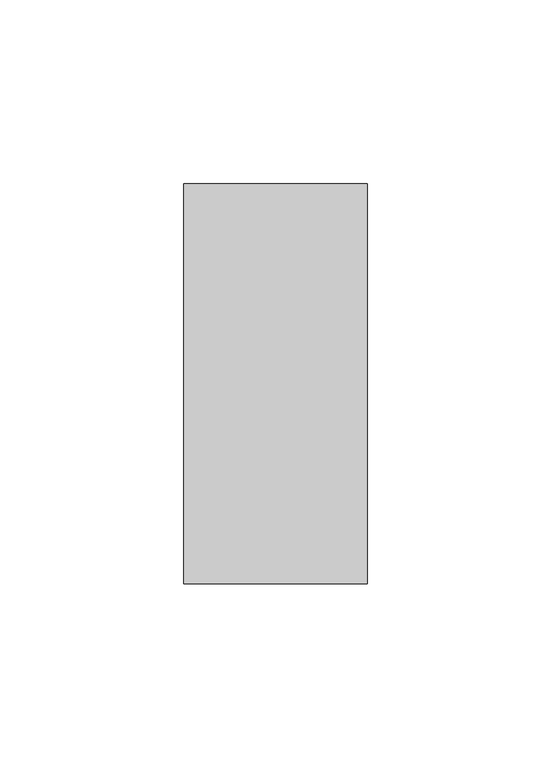
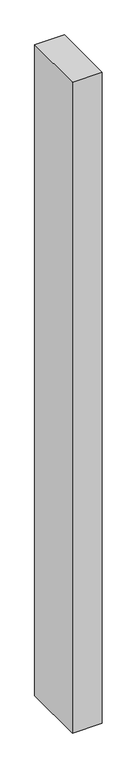
"""IFC4 building model written with IfcOpenShell, lengths in millimetres: member geometry."""

from ifc_helpers import new_model, si_unit, frame, origin, place, context, project, spatial, polyline, outline, extrude, source, transform, mapped, element, save


def member_bdd6e94e(model_context):
    return source(origin(), model_context, "Body", "SweptSolid", [
        extrude(outline(polyline([(-50.0, -18.0), (-50.0, 91.0), (0.0, 91.0), (0.0, -18.0), (-50.0, -18.0)])), frame((0.0, 0.0, -1150.0000003), z_axis=(0.0, 0.0, 1.0), x_axis=(1.0, 0.0, 0.0)), (0.0, 0.0, 1.0), 1150.0000003),
    ])


if __name__ == "__main__":
    model = new_model("IFC4")
    model_context = context("Model", 3, world=origin())
    ifc_project = project(units=[si_unit("LENGTHUNIT", "METRE", prefix="MILLI")], contexts=[model_context])
    site = spatial("IfcSite", under=ifc_project)
    building = spatial("IfcBuilding", under=site)
    placement = place(None, origin())
    member_shape = member_bdd6e94e(model_context)
    element("IfcMember", 1, at=placement, inside=building, context=model_context, shape_type="MappedRepresentation", body=[
        mapped(member_shape, transform((0.0, 0.0, 0.0), x_axis=(1.0, 0.0, 0.0), y_axis=(0.0, 1.0, 0.0), z_axis=(0.0, 0.0, 1.0))),
    ])
    save(model, "model.ifc")
